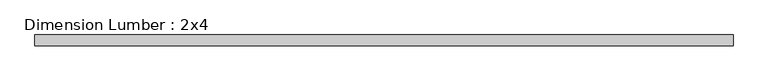
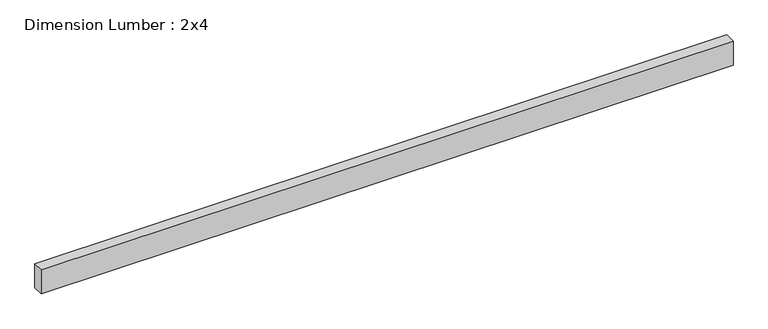
"""IFC4 building model written with IfcOpenShell, lengths in millimetres: beam geometry, Dimension Lumber : 2x4."""

from ifc_helpers import new_model, si_unit, frame, origin, place, context, project, spatial, polyline, outline, extrude, source, transform, mapped, element, save


def dimension_lumber_2x4_b6617f1f(model_context):
    return source(origin(), model_context, "Body", "SweptSolid", [
        extrude(outline(polyline([(1289.7064677, 19.05), (1289.7064677, -19.05), (-1123.0416397, -19.05), (-1123.0416397, 19.05), (1289.7064677, 19.05)])), frame((0.0, 0.0, -44.45), z_axis=(0.0, 0.0, 1.0), x_axis=(1.0, 0.0, 0.0)), (0.0, 0.0, 1.0), 88.9),
    ])


if __name__ == "__main__":
    model = new_model("IFC4")
    model_context = context("Model", 3, world=origin())
    ifc_project = project(units=[si_unit("LENGTHUNIT", "METRE", prefix="MILLI")], contexts=[model_context])
    site = spatial("IfcSite", under=ifc_project)
    building = spatial("IfcBuilding", under=site)
    placement = place(None, origin())
    dimension_lumber_2x4_shape = dimension_lumber_2x4_b6617f1f(model_context)
    element("IfcBeam", 1, ObjectType="Dimension Lumber : 2x4", at=placement, inside=building, context=model_context, shape_type="MappedRepresentation", body=[
        mapped(dimension_lumber_2x4_shape, transform((0.0, 0.0, 0.0), x_axis=(1.0, 0.0, 0.0), y_axis=(0.0, 1.0, 0.0), z_axis=(0.0, 0.0, 1.0))),
    ])
    save(model, "model.ifc")
